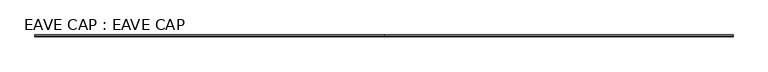
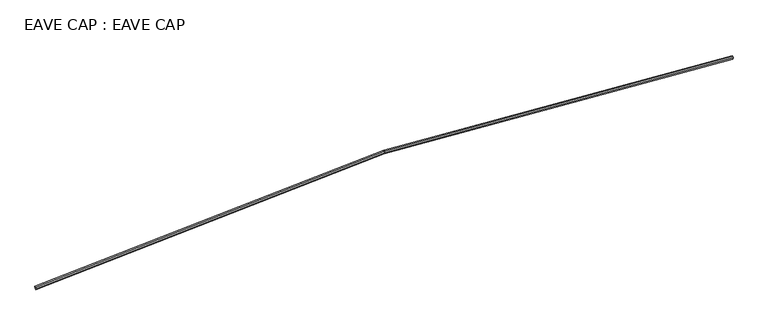
"""IFC4 building model written with IfcOpenShell, lengths in millimetres: proxy geometry, EAVE CAP : EAVE CAP."""

from ifc_helpers import new_model, si_unit, origin, place, context, project, spatial, faceted_brep, source, transform, mapped, element, save


def eave_cap_eave_cap_2de31169(model_context):
    return source(origin(), model_context, "Body", "Brep", [
        faceted_brep([(185599.8428019, 191861.3980844, 24019.5460977), (185599.8428019, 191708.9980844, 24019.5460977), (185590.3363511, 191668.1626274, 24171.6493106), (185580.8299002, 191708.9980844, 24323.7525236), (185580.8299002, 191861.3980844, 24323.7525236), (223068.1557747, 191861.3980844, 26361.3156585), (223068.1557747, 191708.9980844, 26361.3156585), (223068.1557747, 191668.1626274, 26514.0130246), (223068.1557747, 191708.9980844, 26666.7103907), (223068.1557747, 191861.3980844, 26666.7103907), (260548.3957747, 191861.3980844, 24324.1953907), (260529.382873, 191861.3980844, 24019.9889648), (260548.3957747, 191708.9980844, 24324.1953907), (260538.8893239, 191668.1626274, 24172.0921778), (260529.382873, 191708.9980844, 24019.9889648)], [[[0, 1, 2, 3, 4]], [[1, 0, 5, 6]], [[2, 1, 6, 7]], [[3, 2, 7, 8]], [[4, 3, 8, 9]], [[0, 4, 9, 10, 11, 5]], [[11, 10, 12, 13, 14]], [[6, 5, 11, 14]], [[7, 6, 14, 13]], [[8, 7, 13, 12]], [[9, 8, 12, 10]]]),
    ])


if __name__ == "__main__":
    model = new_model("IFC4")
    model_context = context("Model", 3, world=origin())
    ifc_project = project(units=[si_unit("LENGTHUNIT", "METRE", prefix="MILLI")], contexts=[model_context])
    site = spatial("IfcSite", under=ifc_project)
    building = spatial("IfcBuilding", under=site)
    placement = place(None, origin())
    eave_cap_eave_cap_shape = eave_cap_eave_cap_2de31169(model_context)
    element("IfcBuildingElementProxy", 1, Name="EAVE CAP : EAVE CAP", ObjectType="EAVE CAP : EAVE CAP", at=placement, inside=building, context=model_context, shape_type="MappedRepresentation", body=[
        mapped(eave_cap_eave_cap_shape, transform((0.0, 0.0, 0.0), x_axis=(1.0, 0.0, 0.0), y_axis=(0.0, 1.0, 0.0), z_axis=(0.0, 0.0, 1.0))),
    ])
    save(model, "model.ifc")
